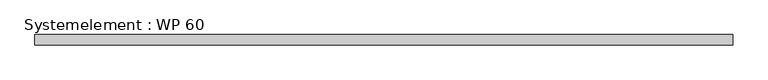
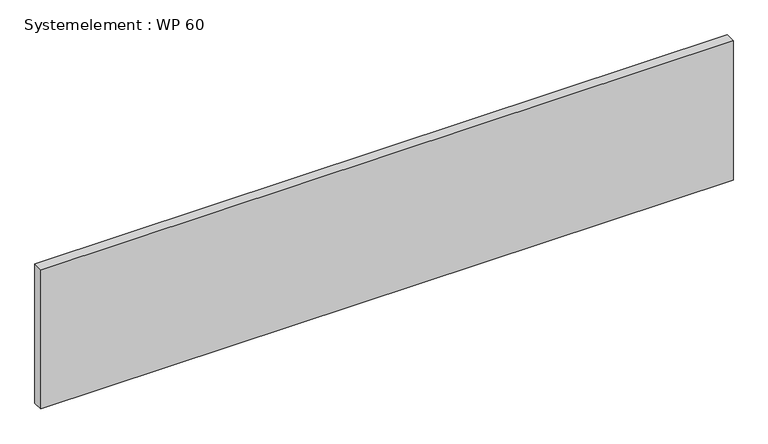
"""IFC4 building model written with IfcOpenShell, lengths in millimetres: plate geometry, Systemelement : WP 60."""

from ifc_helpers import new_model, si_unit, origin, origin_with_axes, place, context, project, spatial, polyline, outline, extrude, source, transform, mapped, element, save


def systemelement_wp_60_24660cf7(model_context):
    return source(origin(), model_context, "Body", "SweptSolid", [
        extrude(outline(polyline([(2000.0, -60.0), (-2000.0, -60.0), (-2000.0, 0.0), (2000.0, 0.0), (2000.0, -60.0)])), origin_with_axes(), (0.0, 0.0, 1.0), 851.6147161),
    ])


if __name__ == "__main__":
    model = new_model("IFC4")
    model_context = context("Model", 3, world=origin())
    ifc_project = project(units=[si_unit("LENGTHUNIT", "METRE", prefix="MILLI")], contexts=[model_context])
    site = spatial("IfcSite", under=ifc_project)
    building = spatial("IfcBuilding", under=site)
    placement = place(None, origin())
    systemelement_wp_60_shape = systemelement_wp_60_24660cf7(model_context)
    element("IfcPlate", 1, ObjectType="Systemelement : WP 60", at=placement, inside=building, context=model_context, shape_type="MappedRepresentation", body=[
        mapped(systemelement_wp_60_shape, transform((0.0, 0.0, 0.0), x_axis=(1.0, 0.0, 0.0), y_axis=(0.0, 1.0, 0.0), z_axis=(0.0, 0.0, 1.0))),
    ])
    save(model, "model.ifc")
